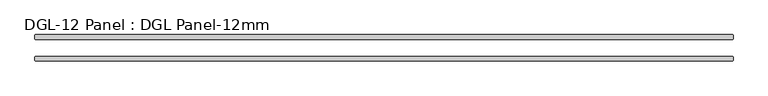
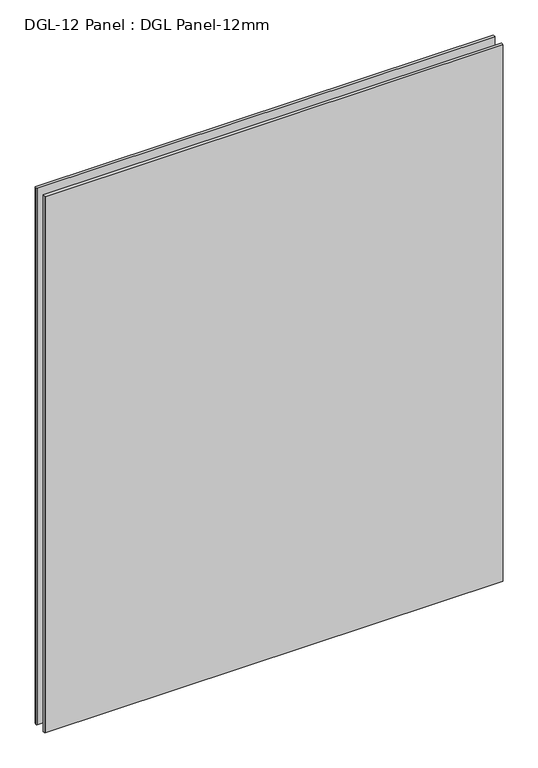
"""IFC4 building model written with IfcOpenShell, lengths in millimetres: plate geometry, DGL-12 Panel : DGL Panel-12mm."""

from ifc_helpers import new_model, si_unit, origin, origin_with_axes, place, context, project, spatial, polyline, outline, extrude, source, transform, mapped, element, save


def dgl_12_panel_dgl_panel_12mm_db66ab05(model_context):
    return source(origin(), model_context, "Body", "SweptSolid", [
        extrude(outline(polyline([(944.630412, -22.9195313), (946.217912, -24.5070313), (946.217912, -34.0320313), (944.630412, -35.6195313), (-944.630412, -35.6195313), (-946.217912, -34.0320313), (-946.217912, -24.5070313), (-944.630412, -22.9195313), (944.630412, -22.9195313)])), origin_with_axes(), (0.0, 0.0, 1.0), 2339.4622278),
        extrude(outline(polyline([(944.630412, 35.6195312), (946.217912, 34.0320312), (946.217912, 24.5070312), (944.630412, 22.9195312), (-944.630412, 22.9195312), (-946.217912, 24.5070312), (-946.217912, 34.0320312), (-944.630412, 35.6195312), (944.630412, 35.6195312)])), origin_with_axes(), (0.0, 0.0, 1.0), 2339.4622278),
    ])


if __name__ == "__main__":
    model = new_model("IFC4")
    model_context = context("Model", 3, world=origin())
    ifc_project = project(units=[si_unit("LENGTHUNIT", "METRE", prefix="MILLI")], contexts=[model_context])
    site = spatial("IfcSite", under=ifc_project)
    building = spatial("IfcBuilding", under=site)
    placement = place(None, origin())
    dgl_12_panel_dgl_panel_12mm_shape = dgl_12_panel_dgl_panel_12mm_db66ab05(model_context)
    element("IfcPlate", 1, ObjectType="DGL-12 Panel : DGL Panel-12mm", at=placement, inside=building, context=model_context, shape_type="MappedRepresentation", body=[
        mapped(dgl_12_panel_dgl_panel_12mm_shape, transform((0.0, 0.0, 0.0), x_axis=(1.0, 0.0, 0.0), y_axis=(0.0, 1.0, 0.0), z_axis=(0.0, 0.0, 1.0))),
    ])
    save(model, "model.ifc")
